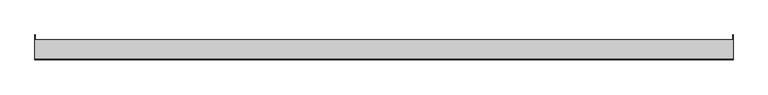
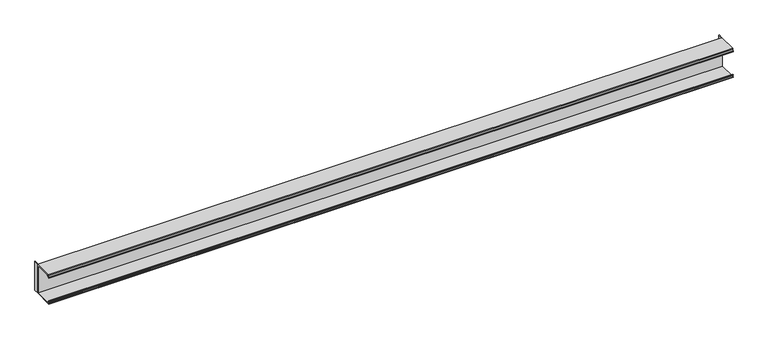
"""IFC4 building model written with IfcOpenShell, lengths in millimetres: furniture geometry."""

from ifc_helpers import new_model, si_unit, frame, origin, place, context, project, spatial, polyline, outline, extrude, source, transform, mapped, element, save


def furniture_baf57ecd(model_context):
    return source(origin(), model_context, "Body", "SweptSolid", [
        extrude(outline(polyline([(-111.1123009, 1085.85), (-111.1123009, 1018.38125), (-153.9875, 1018.38125), (-153.9875, 1020.3624517), (-151.1172991, 1020.3624517), (-153.9875, 1023.004051), (-153.9875, 1025.1122527), (-153.1650166, 1025.1122527), (-148.0041722, 1020.3624517), (-113.093501, 1020.3624517), (-113.093501, 1083.8688), (-148.0041761, 1083.8688), (-153.1650166, 1079.1190002), (-153.9875, 1079.1190002), (-153.9875, 1081.2272001), (-151.1172991, 1083.8688), (-152.4127006, 1083.8688), (-152.4127006, 1085.85), (-111.1123009, 1085.85)])), frame((-762.0, 0.0, 0.0), z_axis=(1.0, 0.0, 0.0), x_axis=(0.0, 1.0, 0.0)), (0.0, 0.0, 1.0), 1524.0),
        extrude(outline(polyline([(762.0, -111.1123009), (761.20625, -111.1123009), (761.20625, -100.0125), (762.0, -100.0125), (762.0, -111.1123009)])), frame((0.0, 0.0, 1018.38125), z_axis=(0.0, 0.0, 1.0), x_axis=(1.0, 0.0, 0.0)), (0.0, 0.0, 1.0), 67.46875),
        extrude(outline(polyline([(-762.0, -100.0125), (-761.20625, -100.0125), (-761.20625, -111.1123009), (-762.0, -111.1123009), (-762.0, -100.0125)])), frame((0.0, 0.0, 1018.38125), z_axis=(0.0, 0.0, 1.0), x_axis=(1.0, 0.0, 0.0)), (0.0, 0.0, 1.0), 67.46875),
    ])


if __name__ == "__main__":
    model = new_model("IFC4")
    model_context = context("Model", 3, world=origin())
    ifc_project = project(units=[si_unit("LENGTHUNIT", "METRE", prefix="MILLI")], contexts=[model_context])
    site = spatial("IfcSite", under=ifc_project)
    building = spatial("IfcBuilding", under=site)
    placement = place(None, origin())
    furniture_shape = furniture_baf57ecd(model_context)
    element("IfcFurniture", 1, at=placement, inside=building, context=model_context, shape_type="MappedRepresentation", body=[
        mapped(furniture_shape, transform((0.0, 0.0, 0.0), x_axis=(1.0, 0.0, 0.0), y_axis=(0.0, 1.0, 0.0), z_axis=(0.0, 0.0, 1.0))),
    ])
    save(model, "model.ifc")
